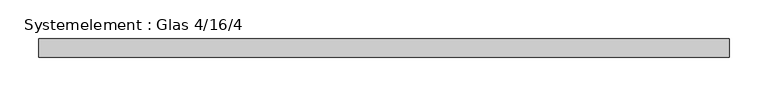
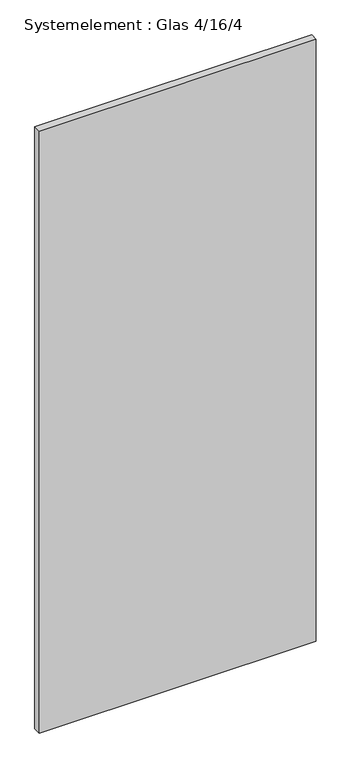
"""IFC4 building model written with IfcOpenShell, lengths in millimetres: plate geometry, Systemelement : Glas 4/16/4."""

from ifc_helpers import new_model, si_unit, origin, origin_with_axes, place, context, project, spatial, polyline, outline, extrude, source, transform, mapped, element, save


def systemelement_glas_4_16_4_3819cb68(model_context):
    return source(origin(), model_context, "Body", "SweptSolid", [
        extrude(outline(polyline([(444.2857144, -12.0), (-444.2857144, -12.0), (-444.2857144, 12.0), (444.2857144, 12.0), (444.2857144, -12.0)])), origin_with_axes(), (0.0, 0.0, 1.0), 2040.0),
    ])


if __name__ == "__main__":
    model = new_model("IFC4")
    model_context = context("Model", 3, world=origin())
    ifc_project = project(units=[si_unit("LENGTHUNIT", "METRE", prefix="MILLI")], contexts=[model_context])
    site = spatial("IfcSite", under=ifc_project)
    building = spatial("IfcBuilding", under=site)
    placement = place(None, origin())
    systemelement_glas_4_16_4_shape = systemelement_glas_4_16_4_3819cb68(model_context)
    element("IfcPlate", 1, ObjectType="Systemelement : Glas 4/16/4", at=placement, inside=building, context=model_context, shape_type="MappedRepresentation", body=[
        mapped(systemelement_glas_4_16_4_shape, transform((0.0, 0.0, 0.0), x_axis=(1.0, 0.0, 0.0), y_axis=(0.0, 1.0, 0.0), z_axis=(0.0, 0.0, 1.0))),
    ])
    save(model, "model.ifc")
